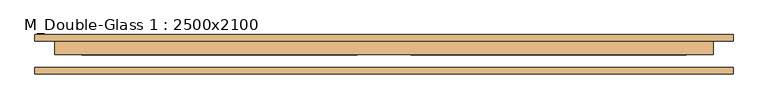
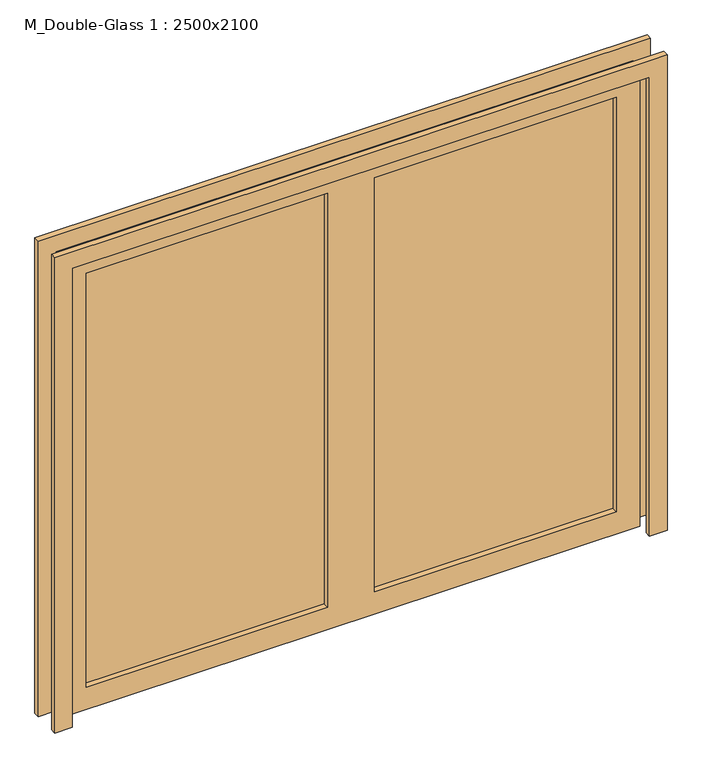
"""IFC4 building model written with IfcOpenShell, lengths in millimetres: door geometry, M_Double-Glass 1 : 2500x2100."""

from ifc_helpers import new_model, si_unit, frame, origin, place, context, project, spatial, polyline, outline, extrude, source, transform, mapped, element, save


def m_double_glass_1_2500x2100_59650082(model_context):
    return source(origin(), model_context, "Body", "SweptSolid", [
        extrude(outline(polyline([(0.0, 1326.0), (2176.0, 1326.0), (2176.0, -1326.0), (0.0, -1326.0), (0.0, -1250.0), (2100.0, -1250.0), (2100.0, 1250.0), (0.0, 1250.0), (0.0, 1326.0)])), frame((0.0, -72.61875, 0.0), z_axis=(0.0, 1.0, 0.0), x_axis=(0.0, 0.0, 1.0)), (0.0, 0.0, 1.0), 25.0),
        extrude(outline(polyline([(2100.0, 1250.0), (0.0, 1250.0), (0.0, 1326.0), (2176.0, 1326.0), (2176.0, -1326.0), (0.0, -1326.0), (0.0, -1250.0), (2100.0, -1250.0), (2100.0, 1250.0)])), frame((0.0, 52.38125, 0.0), z_axis=(0.0, 1.0, 0.0), x_axis=(0.0, 0.0, 1.0)), (0.0, 0.0, 1.0), 25.0),
        extrude(outline(polyline([(1148.4, 26.98125), (101.6, 26.98125), (101.6, 34.125), (1148.4, 34.125), (1148.4, 26.98125)])), frame((0.0, 0.0, 102.0), z_axis=(0.0, 0.0, 1.0), x_axis=(1.0, 0.0, 0.0)), (0.0, 0.0, 1.0), 1896.0),
        extrude(outline(polyline([(-101.6, 26.98125), (-1148.4, 26.98125), (-1148.4, 34.125), (-101.6, 34.125), (-101.6, 26.98125)])), frame((0.0, 0.0, 102.0), z_axis=(0.0, 0.0, 1.0), x_axis=(1.0, 0.0, 0.0)), (0.0, 0.0, 1.0), 1896.0),
        extrude(outline(polyline([(2100.0, 1250.0), (2100.0, -1250.0), (0.0, -1250.0), (0.0, 1250.0), (2100.0, 1250.0)]), holes=[polyline([(1998.0, -101.6), (102.0, -101.6), (102.0, -1148.4), (1998.0, -1148.4), (1998.0, -101.6)]), polyline([(1998.0, 1148.4), (102.0, 1148.4), (102.0, 101.6), (1998.0, 101.6), (1998.0, 1148.4)])]), frame((0.0, 1.38125, 0.0), z_axis=(0.0, 1.0, 0.0), x_axis=(0.0, 0.0, 1.0)), (0.0, 0.0, 1.0), 51.0),
    ])


if __name__ == "__main__":
    model = new_model("IFC4")
    model_context = context("Model", 3, world=origin())
    ifc_project = project(units=[si_unit("LENGTHUNIT", "METRE", prefix="MILLI")], contexts=[model_context])
    site = spatial("IfcSite", under=ifc_project)
    building = spatial("IfcBuilding", under=site)
    placement = place(None, origin())
    m_double_glass_1_2500x2100_shape = m_double_glass_1_2500x2100_59650082(model_context)
    element("IfcDoor", 1, ObjectType="M_Double-Glass 1 : 2500x2100", at=placement, inside=building, context=model_context, shape_type="MappedRepresentation", body=[
        mapped(m_double_glass_1_2500x2100_shape, transform((0.0, 0.0, 0.0), x_axis=(1.0, 0.0, 0.0), y_axis=(0.0, 1.0, 0.0), z_axis=(0.0, 0.0, 1.0))),
    ])
    save(model, "model.ifc")
